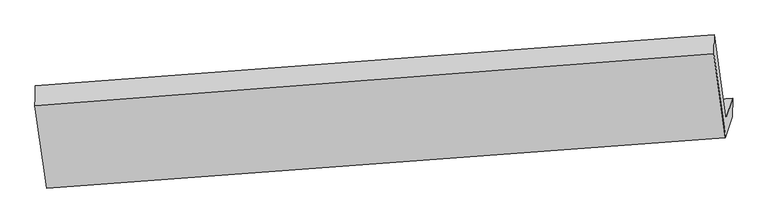
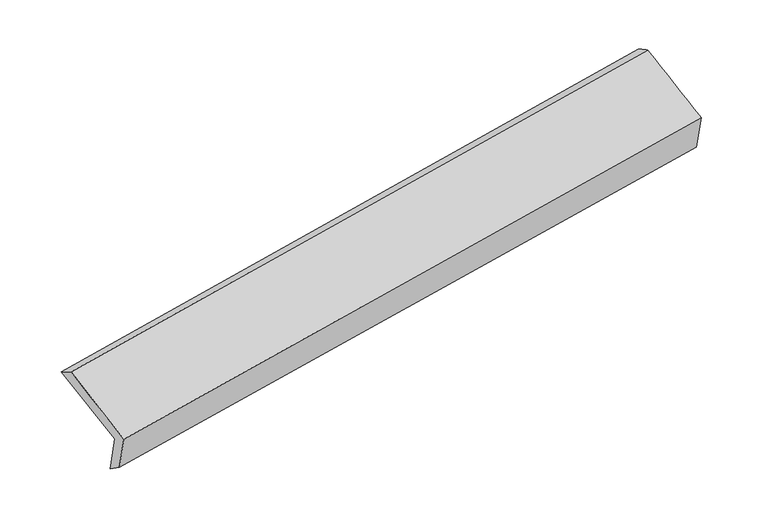
"""IFC4 building model written with IfcOpenShell, lengths in millimetres: proxy geometry."""

from ifc_helpers import new_model, si_unit, frame, origin, place, context, project, spatial, source, transform, mapped, element, save
from ifc_brep_helpers import plane_surface, spline_surface, advanced_brep


def generic_models_acc195ca(model_context):
    return source(origin(), model_context, "Body", "AdvancedBrep", [
        advanced_brep(
        [(-5322.1044152, -1874.9970822, 1503.2880643), (-5407.4933056, -1264.0683548, 1747.2575556), (-457.8194226, -894.5382814, 2593.5594056), (-372.6245806, -1507.0650969, 2348.8947048), (-5271.3460707, -1719.5327629, 1131.7521827), (-323.660651, -1357.0967705, 1990.4934035), (-5278.3462725, -1864.9546513, 1237.1410894), (-325.2489172, -1490.4581513, 2057.864942), (-5325.8423901, -2010.427315, 1584.7984464), (-375.4632477, -1644.2562467, 2425.418804), (-5411.628754, -1409.4834428, 1835.5065579), (-460.653135, -1031.7650545, 2670.0692756)],
        [
            (0, 1),
            (1, 2),
            (2, 3),
            (3, 0),
            (4, 0),
            (3, 5),
            (5, 4),
            (6, 4),
            (5, 7),
            (7, 6),
            (8, 6),
            (7, 9),
            (9, 8),
            (10, 8),
            (9, 11),
            (11, 10),
            (1, 10),
            (11, 2),
        ],
        [
            spline_surface(1, 1, [[(-5322.1044152, -1874.9970822, 1503.2880643), (-372.6245806, -1507.0650969, 2348.8947048)], [(-5407.4933056, -1264.0683548, 1747.2575556), (-457.8194226, -894.5382814, 2593.5594056)]], [2, 2], [2, 2], [0.0, 1.0], [0.0, 1.0]),
            plane_surface(frame((-5296.7252429, -1797.2649225, 1317.5201235), z_axis=(-0.13121099433824995, 0.9207765543466527, 0.36736114646254303), x_axis=(-0.1250400971830045, -0.3829769029628702, 0.9152560657506911))),
            spline_surface(1, 1, [[(-5278.3462725, -1864.9546513, 1237.1410894), (-325.2489172, -1490.4581513, 2057.864942)], [(-5271.3460707, -1719.5327629, 1131.7521827), (-323.660651, -1357.0967705, 1990.4934035)]], [2, 2], [2, 2], [0.0, 1.0], [0.0, 1.0]),
            plane_surface(frame((-5302.0943313, -1937.6909831, 1410.9697679), z_axis=(0.1305133785433794, -0.9208289244324855, -0.3674783666417719), x_axis=(0.12504009718300438, 0.3829769029628705, -0.9152560657506909))),
            spline_surface(1, 1, [[(-5411.628754, -1409.4834428, 1835.5065579), (-460.653135, -1031.7650545, 2670.0692756)], [(-5325.8423901, -2010.427315, 1584.7984464), (-375.4632477, -1644.2562467, 2425.418804)]], [2, 2], [2, 2], [0.0, 1.0], [0.0, 1.0]),
            spline_surface(1, 1, [[(-5407.4933056, -1264.0683548, 1747.2575556), (-457.8194226, -894.5382814, 2593.5594056)], [(-5411.628754, -1409.4834428, 1835.5065579), (-460.653135, -1031.7650545, 2670.0692756)]], [2, 2], [2, 2], [0.0, 1.0], [0.0, 1.0]),
            plane_surface(frame((-385.911659, -1320.8632669, 2347.7167559), z_axis=(0.9838471592762654, 0.07124473376651949, 0.1642222734423101), x_axis=(0.12504009718300438, 0.3829769029628705, -0.9152560657506909))),
            plane_surface(frame((-5336.126868, -1690.5772682, 1506.6239827), z_axis=(-0.9837660624951954, -0.07182637185215948, -0.16445457302627692), x_axis=(0.12872182557423817, -0.9209612717717965, -0.36777850333768924))),
        ],
        [
            (0, [[1, 2, 3, 4]]),
            (1, [[5, -4, 6, 7]]),
            (2, [[8, -7, 9, 10]]),
            (3, [[11, -10, 12, 13]]),
            (4, [[14, -13, 15, 16]]),
            (5, [[17, -16, 18, -2]]),
            (6, [[-12, -9, -6, -3, -18, -15]]),
            (7, [[-1, -5, -8, -11, -14, -17]]),
        ],
    ),
    ])


if __name__ == "__main__":
    model = new_model("IFC4")
    model_context = context("Model", 3, world=origin())
    ifc_project = project(units=[si_unit("LENGTHUNIT", "METRE", prefix="MILLI")], contexts=[model_context])
    site = spatial("IfcSite", under=ifc_project)
    building = spatial("IfcBuilding", under=site)
    placement = place(None, origin())
    generic_models_shape = generic_models_acc195ca(model_context)
    element("IfcBuildingElementProxy", 1, Name="Generic Models", at=placement, inside=building, context=model_context, shape_type="MappedRepresentation", body=[
        mapped(generic_models_shape, transform((0.0, 0.0, 0.0), x_axis=(1.0, 0.0, 0.0), y_axis=(0.0, 1.0, 0.0), z_axis=(0.0, 0.0, 1.0))),
    ])
    save(model, "model.ifc")
